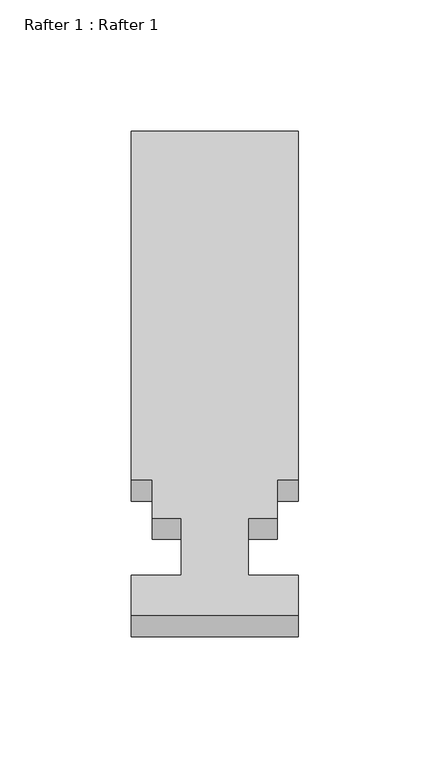
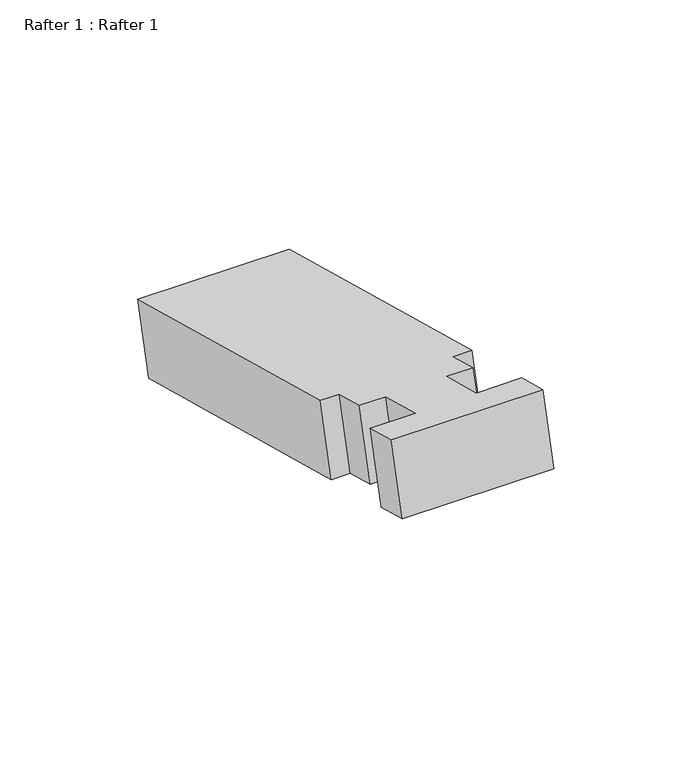
"""IFC4 building model written with IfcOpenShell, lengths in millimetres: proxy geometry, Rafter 1 : Rafter 1."""

from ifc_helpers import new_model, si_unit, frame, origin, place, context, project, spatial, polyline, outline, extrude, source, transform, mapped, element, save


def rafter_1_rafter_1_cdd9a96a(model_context):
    return source(origin(), model_context, "Body", "SweptSolid", [
        extrude(outline(polyline([(0.0, 0.0), (63.5, 0.0), (63.5, -137.3378), (55.5752, -137.3378), (55.5752, -152.4), (44.45, -152.4), (44.45, -174.8789999), (63.5, -174.8789999), (63.5, -190.7539999), (0.0, -190.7539999), (0.0, -174.8789999), (19.05, -174.8789999), (19.05, -152.4), (7.9248, -152.4), (7.9248, -137.3378), (0.0, -137.3378), (0.0, 0.0)])), frame((-4207.6084739, 553.4289328, 922.1901794), z_axis=(0.0, 0.2588190451025248, 0.9659258262890672), x_axis=(1.0, 0.0, 0.0)), (0.0, 0.0, 1.0), 31.236513),
    ])


if __name__ == "__main__":
    model = new_model("IFC4")
    model_context = context("Model", 3, world=origin())
    ifc_project = project(units=[si_unit("LENGTHUNIT", "METRE", prefix="MILLI")], contexts=[model_context])
    site = spatial("IfcSite", under=ifc_project)
    building = spatial("IfcBuilding", under=site)
    placement = place(None, origin())
    rafter_1_rafter_1_shape = rafter_1_rafter_1_cdd9a96a(model_context)
    element("IfcBuildingElementProxy", 1, Name="Rafter 1 : Rafter 1", ObjectType="Rafter 1 : Rafter 1", at=placement, inside=building, context=model_context, shape_type="MappedRepresentation", body=[
        mapped(rafter_1_rafter_1_shape, transform((0.0, 0.0, 0.0), x_axis=(1.0, 0.0, 0.0), y_axis=(0.0, 1.0, 0.0), z_axis=(0.0, 0.0, 1.0))),
    ])
    save(model, "model.ifc")
